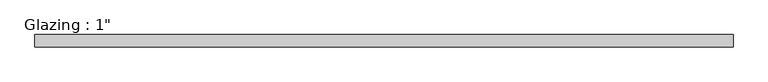
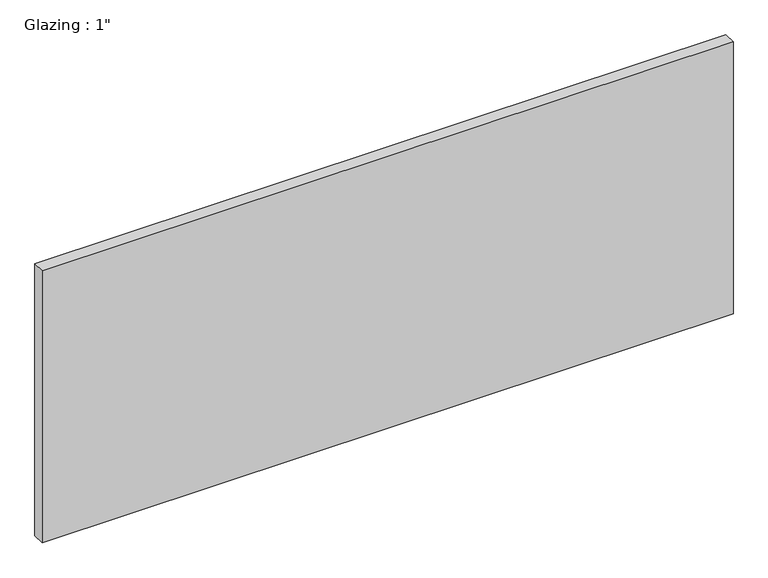
"""IFC4 building model written with IfcOpenShell, lengths in millimetres: plate geometry."""

from ifc_helpers import new_model, si_unit, origin, origin_with_axes, place, context, project, spatial, polyline, outline, extrude, source, transform, mapped, element, save


def plate_e6fa7235(model_context):
    return source(origin(), model_context, "Body", "SweptSolid", [
        extrude(outline(polyline([(713.8330765, 12.7), (713.8330765, -12.7), (-713.8330765, -12.7), (-713.8330765, 12.7), (713.8330765, 12.7)])), origin_with_axes(), (0.0, 0.0, 1.0), 593.7249245),
    ])


if __name__ == "__main__":
    model = new_model("IFC4")
    model_context = context("Model", 3, world=origin())
    ifc_project = project(units=[si_unit("LENGTHUNIT", "METRE", prefix="MILLI")], contexts=[model_context])
    site = spatial("IfcSite", under=ifc_project)
    building = spatial("IfcBuilding", under=site)
    placement = place(None, origin())
    plate_shape = plate_e6fa7235(model_context)
    element("IfcPlate", 1, ObjectType="Glazing : 1\"", at=placement, inside=building, context=model_context, shape_type="MappedRepresentation", body=[
        mapped(plate_shape, transform((0.0, 0.0, 0.0), x_axis=(1.0, 0.0, 0.0), y_axis=(0.0, 1.0, 0.0), z_axis=(0.0, 0.0, 1.0))),
    ])
    save(model, "model.ifc")
